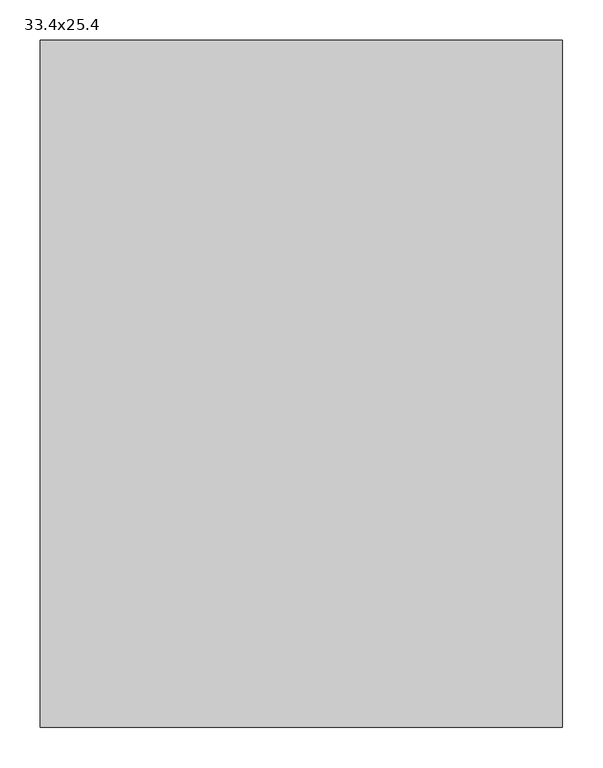
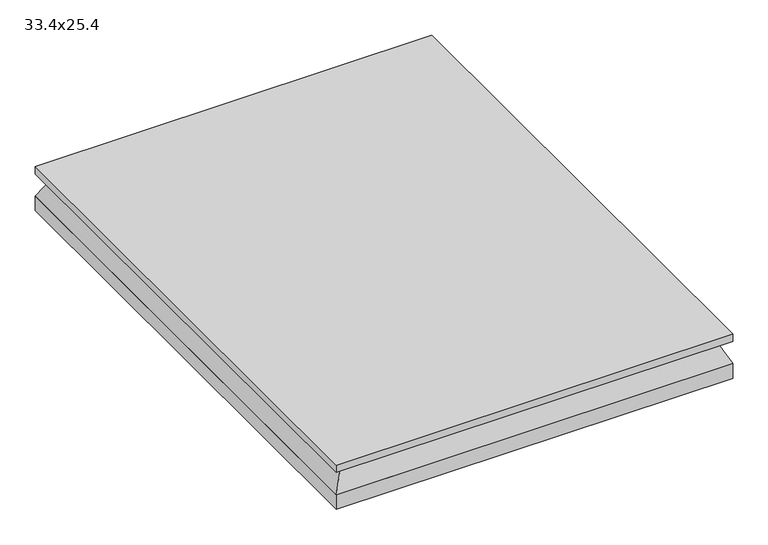
"""IFC4 building model written with IfcOpenShell, lengths in millimetres: air terminal geometry, 33.4x25.4."""

from ifc_helpers import new_model, si_unit, frame, origin, origin_with_axes, place, context, project, spatial, polyline, outline, extrude, faceted_brep, source, transform, mapped, element, save


def air_terminal_33_4x25_4_6ecb8ce2(model_context):
    return source(origin(), model_context, "Body", "SolidModel", [
        faceted_brep([(-303.53, -405.13, 0.0), (303.53, -405.13, 0.0), (303.53, 405.13, 0.0), (-303.53, 405.13, 0.0), (-322.5601562, -424.1601563, -38.1), (-322.5601562, 424.1601562, -38.1), (322.5601563, 424.1601562, -38.1), (322.5601563, -424.1601563, -38.1)], [[[0, 1, 2, 3]], [[4, 5, 6, 7]], [[4, 7, 1, 0]], [[7, 6, 2, 1]], [[6, 5, 3, 2]], [[5, 4, 0, 3]]]),
        extrude(outline(polyline([(322.58, 424.18), (322.58, -424.18), (-322.58, -424.18), (-322.58, 424.18), (322.58, 424.18)])), origin_with_axes(), (0.0, 0.0, 1.0), 12.7),
        extrude(outline(polyline([(-322.5601562, 424.1601562), (322.5601563, 424.1601562), (322.5601563, -424.1601563), (-322.5601562, -424.1601563), (-322.5601562, 424.1601562)])), frame((0.0, 0.0, -63.5), z_axis=(0.0, 0.0, 1.0), x_axis=(1.0, 0.0, 0.0)), (0.0, 0.0, 1.0), 25.4),
    ])


if __name__ == "__main__":
    model = new_model("IFC4")
    model_context = context("Model", 3, world=origin())
    ifc_project = project(units=[si_unit("LENGTHUNIT", "METRE", prefix="MILLI")], contexts=[model_context])
    site = spatial("IfcSite", under=ifc_project)
    building = spatial("IfcBuilding", under=site)
    placement = place(None, origin())
    air_terminal_33_4x25_4_shape = air_terminal_33_4x25_4_6ecb8ce2(model_context)
    element("IfcAirTerminal", 1, ObjectType="33.4x25.4", at=placement, inside=building, context=model_context, shape_type="MappedRepresentation", body=[
        mapped(air_terminal_33_4x25_4_shape, transform((0.0, 0.0, 0.0), x_axis=(1.0, 0.0, 0.0), y_axis=(0.0, 1.0, 0.0), z_axis=(0.0, 0.0, 1.0))),
    ])
    save(model, "model.ifc")
